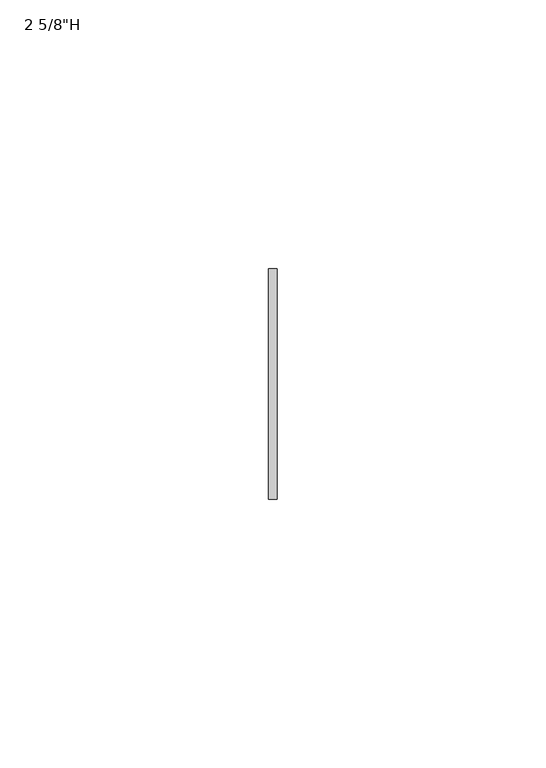
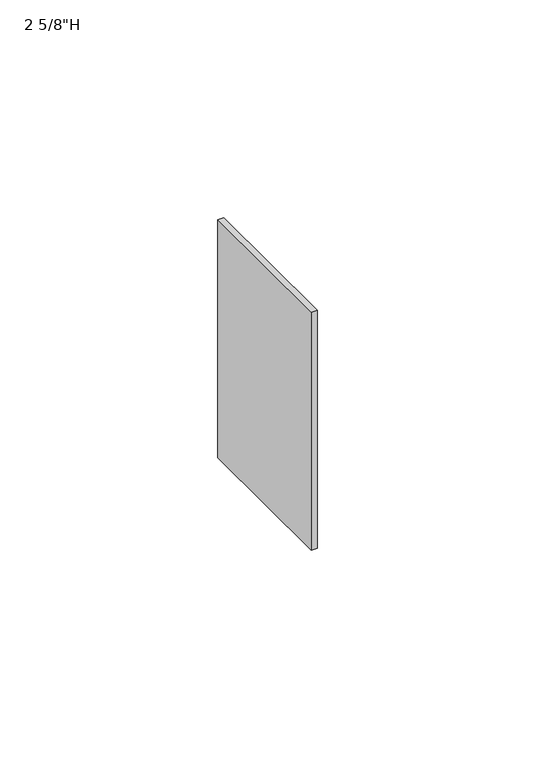
"""IFC4 building model written with IfcOpenShell, lengths in millimetres: furniture geometry."""

from ifc_helpers import new_model, si_unit, frame, origin, place, context, project, spatial, polyline, outline, extrude, source, transform, mapped, element, save


def furniture_28963931(model_context):
    return source(origin(), model_context, "Body", "SweptSolid", [
        extrude(outline(polyline([(-0.79375, -111.125), (0.79375, -111.125), (0.79375, -153.9875), (-0.79375, -153.9875), (-0.79375, -111.125)])), frame((0.0, 0.0, 993.775), z_axis=(0.0, 0.0, 1.0), x_axis=(1.0, 0.0, 0.0)), (0.0, 0.0, 1.0), 66.675),
    ])


if __name__ == "__main__":
    model = new_model("IFC4")
    model_context = context("Model", 3, world=origin())
    ifc_project = project(units=[si_unit("LENGTHUNIT", "METRE", prefix="MILLI")], contexts=[model_context])
    site = spatial("IfcSite", under=ifc_project)
    building = spatial("IfcBuilding", under=site)
    placement = place(None, origin())
    furniture_shape = furniture_28963931(model_context)
    element("IfcFurniture", 1, ObjectType="2 5/8\"H", at=placement, inside=building, context=model_context, shape_type="MappedRepresentation", body=[
        mapped(furniture_shape, transform((0.0, 0.0, 0.0), x_axis=(1.0, 0.0, 0.0), y_axis=(0.0, 1.0, 0.0), z_axis=(0.0, 0.0, 1.0))),
    ])
    save(model, "model.ifc")
